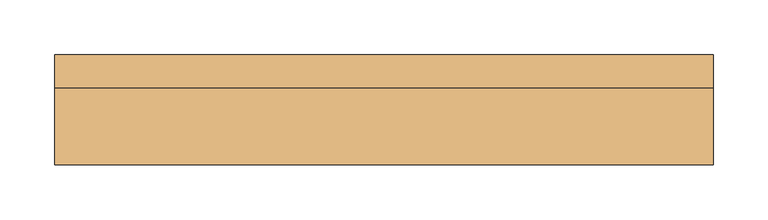
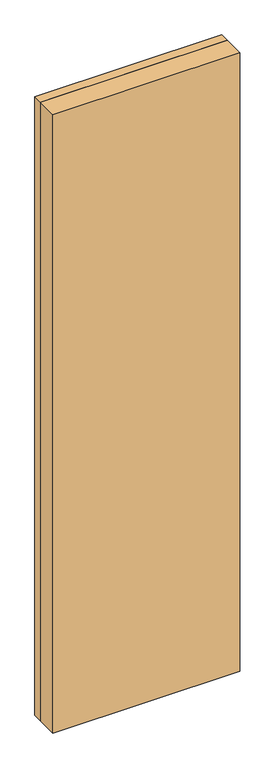
"""IFC4 building model written with IfcOpenShell, lengths in millimetres: door geometry."""

from ifc_helpers import new_model, si_unit, frame, origin, origin_with_axes, place, context, project, spatial, polyline, outline, extrude, source, transform, mapped, element, save


def door_64e12b20(model_context):
    return source(origin(), model_context, "Body", "SweptSolid", [
        extrude(outline(polyline([(270.0, 15.0), (270.0, -15.0), (-270.0, -15.0), (-270.0, 15.0), (270.0, 15.0)])), origin_with_axes(), (0.0, 0.0, 1.0), 2070.0),
        extrude(outline(polyline([(0.0, -300.0), (0.0, -270.0), (2070.0, -270.0), (2070.0, 270.0), (0.0, 270.0), (0.0, 300.0), (2100.0, 300.0), (2100.0, -300.0), (0.0, -300.0)])), frame((0.0, -15.0, 0.0), z_axis=(0.0, 1.0, 0.0), x_axis=(0.0, 0.0, 1.0)), (0.0, 0.0, 1.0), 30.0),
        extrude(outline(polyline([(300.0, -85.0), (-300.0, -85.0), (-300.0, -15.0), (300.0, -15.0), (300.0, -85.0)])), origin_with_axes(), (0.0, 0.0, 1.0), 2100.0),
    ])


if __name__ == "__main__":
    model = new_model("IFC4")
    model_context = context("Model", 3, world=origin())
    ifc_project = project(units=[si_unit("LENGTHUNIT", "METRE", prefix="MILLI")], contexts=[model_context])
    site = spatial("IfcSite", under=ifc_project)
    building = spatial("IfcBuilding", under=site)
    placement = place(None, origin())
    door_shape = door_64e12b20(model_context)
    element("IfcDoor", 1, at=placement, inside=building, context=model_context, shape_type="MappedRepresentation", body=[
        mapped(door_shape, transform((0.0, 0.0, 0.0), x_axis=(1.0, 0.0, 0.0), y_axis=(0.0, 1.0, 0.0), z_axis=(0.0, 0.0, 1.0))),
    ])
    save(model, "model.ifc")
